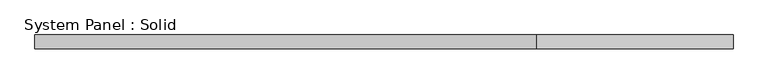
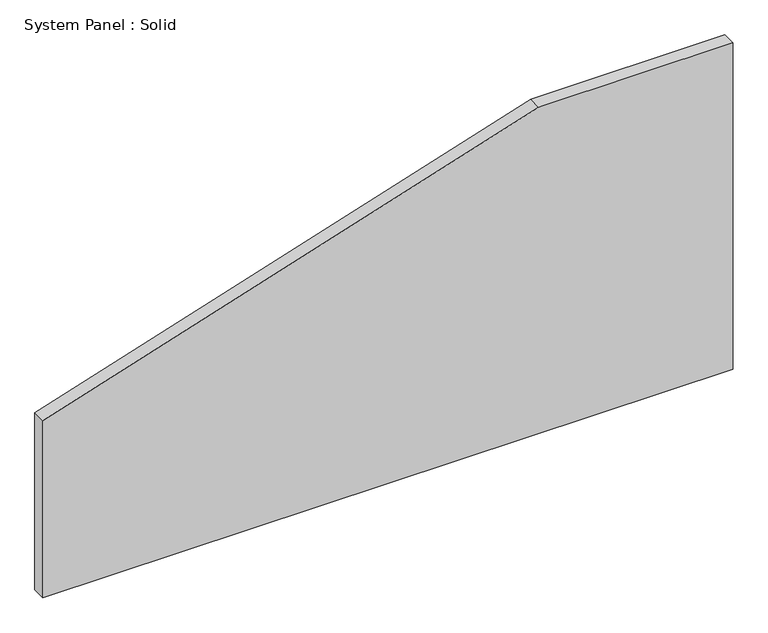
"""IFC4 building model written with IfcOpenShell, lengths in millimetres: plate geometry, System Panel : Solid."""

from ifc_helpers import new_model, si_unit, frame, origin, place, context, project, spatial, polyline, outline, extrude, source, transform, mapped, element, save


def system_panel_solid_026fd591(model_context):
    return source(origin(), model_context, "Body", "SweptSolid", [
        extrude(outline(polyline([(0.0, -1500.0), (0.0, 1500.0), (1500.0, 1500.0), (1500.0, 656.2669498), (814.5649691, -1500.0), (0.0, -1500.0)])), frame((0.0, -10.5, 0.0), z_axis=(0.0, 1.0, 0.0), x_axis=(0.0, 0.0, 1.0)), (0.0, 0.0, 1.0), 60.0),
    ])


if __name__ == "__main__":
    model = new_model("IFC4")
    model_context = context("Model", 3, world=origin())
    ifc_project = project(units=[si_unit("LENGTHUNIT", "METRE", prefix="MILLI")], contexts=[model_context])
    site = spatial("IfcSite", under=ifc_project)
    building = spatial("IfcBuilding", under=site)
    placement = place(None, origin())
    system_panel_solid_shape = system_panel_solid_026fd591(model_context)
    element("IfcPlate", 1, ObjectType="System Panel : Solid", at=placement, inside=building, context=model_context, shape_type="MappedRepresentation", body=[
        mapped(system_panel_solid_shape, transform((0.0, 0.0, 0.0), x_axis=(1.0, 0.0, 0.0), y_axis=(0.0, 1.0, 0.0), z_axis=(0.0, 0.0, 1.0))),
    ])
    save(model, "model.ifc")
